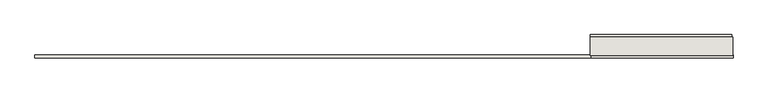
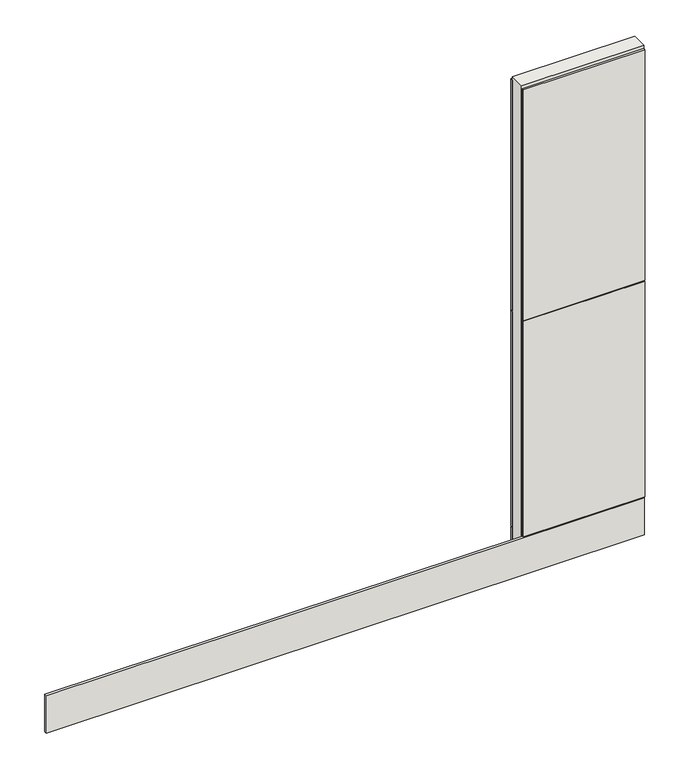
"""IFC4 building model written with IfcOpenShell, lengths in millimetres: wall geometry."""

from ifc_helpers import new_model, si_unit, frame, origin, place, context, project, spatial, polyline, outline, extrude, source, transform, mapped, element, save


def wall_8e439958(model_context):
    return source(origin(), model_context, "Body", "SweptSolid", [
        extrude(outline(polyline([(86768.389328, -41252.4451048), (86765.849328, -41252.4451048), (86765.849328, -41249.9051048), (86768.389328, -41249.9051048), (86768.389328, -41252.4451048)])), frame((0.0, 0.0, 4419.6), z_axis=(0.0, 0.0, 1.0), x_axis=(1.0, 0.0, 0.0)), (0.0, 0.0, 1.0), 2.54),
        extrude(outline(polyline([(86142.6432465, -41200.3751048), (86763.9251891, -41200.3751048), (86763.9251891, -41213.0751048), (86142.6432465, -41213.0751048), (86142.6432465, -41200.3751048)])), frame((0.0, 0.0, 4573.9999706), z_axis=(0.0, 0.0, 1.0), x_axis=(1.0, 0.0, 0.0)), (0.0, 0.0, 1.0), 1164.400008),
        extrude(outline(polyline([(86142.6432465, -41200.3751048), (86763.9251891, -41200.3751048), (86763.9251891, -41213.0751048), (86142.6432465, -41213.0751048), (86142.6432465, -41200.3751048)])), frame((0.0, 0.0, 4368.1000014), z_axis=(0.0, 0.0, 1.0), x_axis=(1.0, 0.0, 0.0)), (0.0, 0.0, 1.0), 201.9000026),
        extrude(outline(polyline([(86142.6432465, -41200.3751048), (86763.9251891, -41200.3751048), (86763.9251891, -41213.0751048), (86142.6432465, -41213.0751048), (86142.6432465, -41200.3751048)])), frame((0.0, 0.0, 5742.4000722), z_axis=(0.0, 0.0, 1.0), x_axis=(1.0, 0.0, 0.0)), (0.0, 0.0, 1.0), 1247.649905),
        extrude(outline(polyline([(86768.8551259, -41301.9751048), (86147.5731833, -41301.9751048), (86147.5731833, -41289.2751048), (86768.8551259, -41289.2751048), (86768.8551259, -41301.9751048)])), frame((0.0, 0.0, 4573.9999706), z_axis=(0.0, 0.0, 1.0), x_axis=(1.0, 0.0, 0.0)), (0.0, 0.0, 1.0), 1164.400008),
        extrude(outline(polyline([(86766.3871984, -41301.9751048), (83706.7049764, -41301.9751048), (83706.7049764, -41289.2751048), (86766.3871984, -41289.2751048), (86766.3871984, -41301.9751048)])), frame((0.0, 0.0, 4368.1000014), z_axis=(0.0, 0.0, 1.0), x_axis=(1.0, 0.0, 0.0)), (0.0, 0.0, 1.0), 201.9000026),
        extrude(outline(polyline([(86768.8551259, -41301.9751048), (86147.5731833, -41301.9751048), (86147.5731833, -41289.2751048), (86768.8551259, -41289.2751048), (86768.8551259, -41301.9751048)])), frame((0.0, 0.0, 5742.4000722), z_axis=(0.0, 0.0, 1.0), x_axis=(1.0, 0.0, 0.0)), (0.0, 0.0, 1.0), 1247.649905),
        extrude(outline(polyline([(86768.3781774, -41226.078965), (86143.1078252, -41226.078965), (86143.1078252, -41221.025), (86768.3781774, -41221.025), (86768.3781774, -41226.078965)])), frame((0.0, 0.0, 4418.6602), z_axis=(0.0, 0.0, 1.0), x_axis=(1.0, 0.0, 0.0)), (0.0, 0.0, 1.0), 47.625),
        extrude(outline(polyline([(86768.3781774, -41226.078965), (86143.1078252, -41226.078965), (86143.1078252, -41221.025), (86768.3781774, -41221.025), (86768.3781774, -41226.078965)])), frame((0.0, 0.0, 4418.6602), z_axis=(0.0, 0.0, 1.0), x_axis=(1.0, 0.0, 0.0)), (0.0, 0.0, 1.0), 47.625),
        extrude(outline(polyline([(86143.1078252, -41276.2712446), (86768.3781774, -41276.2712446), (86768.3781774, -41281.35), (86143.1078252, -41281.35), (86143.1078252, -41276.2712446)])), frame((0.0, 0.0, 4418.6602), z_axis=(0.0, 0.0, 1.0), x_axis=(1.0, 0.0, 0.0)), (0.0, 0.0, 1.0), 47.625),
        extrude(outline(polyline([(86143.1078252, -41276.2712446), (86768.3781774, -41276.2712446), (86768.3781774, -41281.35), (86143.1078252, -41281.35), (86143.1078252, -41276.2712446)])), frame((0.0, 0.0, 4418.6602), z_axis=(0.0, 0.0, 1.0), x_axis=(1.0, 0.0, 0.0)), (0.0, 0.0, 1.0), 47.625),
        extrude(outline(polyline([(86768.3781774, -41210.5357144), (86768.3781774, -41291.8144698), (86143.1078252, -41291.8144698), (86143.1078252, -41210.5357144), (86768.3781774, -41210.5357144)])), frame((0.0, 0.0, 4445.0), z_axis=(0.0, 0.0, 1.0), x_axis=(1.0, 0.0, 0.0)), (0.0, 0.0, 1.0), 2562.4536762),
    ])


if __name__ == "__main__":
    model = new_model("IFC4")
    model_context = context("Model", 3, world=origin())
    ifc_project = project(units=[si_unit("LENGTHUNIT", "METRE", prefix="MILLI")], contexts=[model_context])
    site = spatial("IfcSite", under=ifc_project)
    building = spatial("IfcBuilding", under=site)
    placement = place(None, origin())
    wall_shape = wall_8e439958(model_context)
    element("IfcWall", 1, at=placement, inside=building, context=model_context, shape_type="MappedRepresentation", body=[
        mapped(wall_shape, transform((0.0, 0.0, 0.0), x_axis=(1.0, 0.0, 0.0), y_axis=(0.0, 1.0, 0.0), z_axis=(0.0, 0.0, 1.0))),
    ])
    save(model, "model.ifc")
